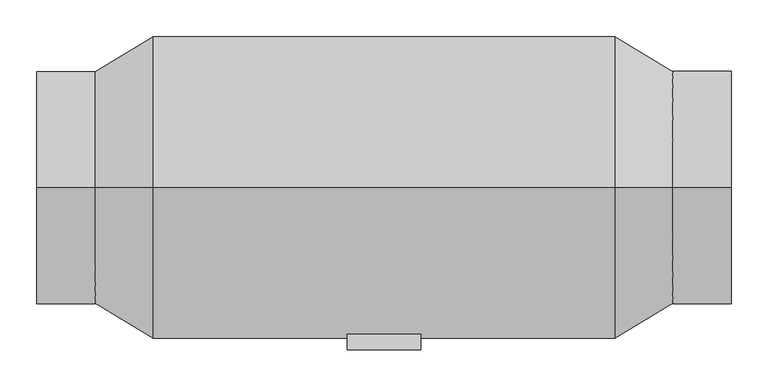
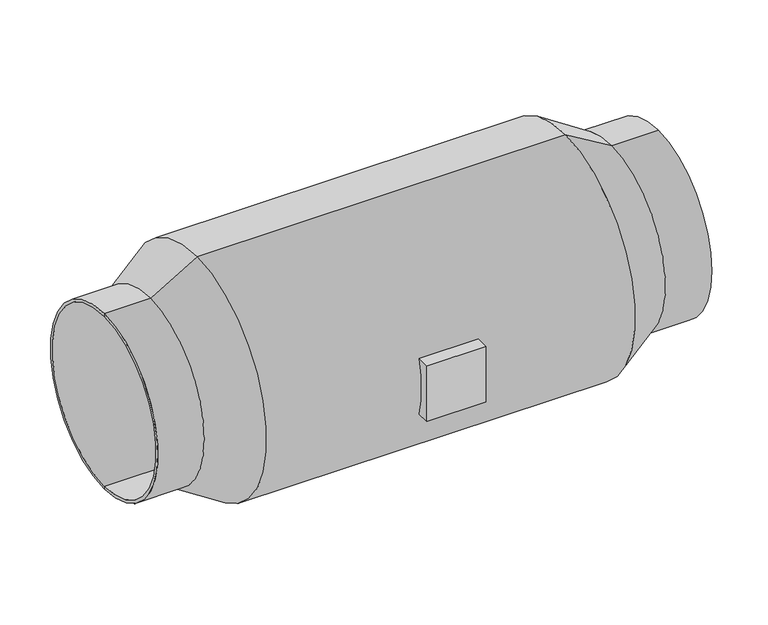
"""IFC4 building model written with IfcOpenShell, lengths in millimetres: proxy geometry."""

from ifc_helpers import new_model, si_unit, frame, origin, place, context, project, spatial, polyline, circle_curve, source, transform, mapped, element, save
from ifc_brep_helpers import plane_surface, cylinder_surface, revolved_surface, advanced_brep


def mechanical_equipment_116e85a2(model_context):
    return source(origin(), model_context, "Body", "AdvancedBrep", [
        advanced_brep(
        [(50.0, -220.0, 255.0), (-50.0, -220.0, 255.0), (-50.0, -220.0, 155.0), (50.0, -220.0, 155.0), (50.0, -198.8089535, 255.0), (-50.0, -198.8089535, 255.0), (-50.0, -198.8089535, 155.0), (50.0, -198.8089535, 155.0), (470.0, 0.0, 52.5), (470.0, 0.0, 357.5), (-470.0, 0.0, 357.5), (-470.0, 0.0, 52.5), (470.0, 0.0, 47.5), (470.0, 0.0, 362.5), (-312.5, 0.0, 0.0), (-312.5, 0.0, 410.0), (312.5, 0.0, 410.0), (312.5, 0.0, 0.0), (-470.0, 0.0, 362.5), (-470.0, 0.0, 47.5), (391.25, 0.0, 47.5), (391.25, 0.0, 362.5), (-391.25, 0.0, 47.5), (-391.25, 0.0, 362.5)],
        [
            (0, 1),
            (1, 2),
            (2, 3),
            (3, 0),
            (0, 4),
            (4, 5),
            (5, 1),
            (5, 6, circle_curve(frame((-50.0, 0.0, 205.0), z_axis=(1.0, 0.0, 0.0), x_axis=(0.0, 0.0, 1.0)), 205.0)),
            (6, 2),
            (6, 7),
            (7, 3),
            (7, 4, circle_curve(frame((50.0, 0.0, 205.0), z_axis=(-1.0, 0.0, 0.0), x_axis=(0.0, 0.0, 1.0)), 205.0)),
            (8, 9, circle_curve(frame((470.0, 0.0, 205.0), z_axis=(1.0, 0.0, 0.0), x_axis=(0.0, 0.0, 1.0)), 152.5)),
            (9, 10),
            (10, 11, circle_curve(frame((-470.0, 0.0, 205.0), z_axis=(-1.0, 0.0, 0.0), x_axis=(0.0, 0.0, 1.0)), 152.5)),
            (11, 8),
            (9, 8, circle_curve(frame((470.0, 0.0, 205.0), z_axis=(1.0, 0.0, 0.0), x_axis=(0.0, 0.0, 1.0)), 152.5)),
            (11, 10, circle_curve(frame((-470.0, 0.0, 205.0), z_axis=(-1.0, 0.0, 0.0), x_axis=(0.0, 0.0, 1.0)), 152.5)),
            (8, 12),
            (12, 13, circle_curve(frame((470.0, 0.0, 205.0), z_axis=(1.0, 0.0, 0.0), x_axis=(0.0, 0.0, 1.0)), 157.5)),
            (13, 9),
            (13, 12, circle_curve(frame((470.0, 0.0, 205.0), z_axis=(1.0, 0.0, 0.0), x_axis=(0.0, 0.0, 1.0)), 157.5)),
            (14, 15, circle_curve(frame((-312.5, 0.0, 205.0), z_axis=(1.0, 0.0, 0.0), x_axis=(0.0, 0.0, 1.0)), 205.0)),
            (15, 16),
            (16, 17, circle_curve(frame((312.5, 0.0, 205.0), z_axis=(-1.0, 0.0, 0.0), x_axis=(0.0, 0.0, 1.0)), 205.0)),
            (17, 14),
            (15, 14, circle_curve(frame((-312.5, 0.0, 205.0), z_axis=(1.0, 0.0, 0.0), x_axis=(0.0, 0.0, 1.0)), 205.0)),
            (17, 16, circle_curve(frame((312.5, 0.0, 205.0), z_axis=(-1.0, 0.0, 0.0), x_axis=(0.0, 0.0, 1.0)), 205.0)),
            (10, 18),
            (18, 19, circle_curve(frame((-470.0, 0.0, 205.0), z_axis=(-1.0, 0.0, 0.0), x_axis=(0.0, 0.0, 1.0)), 157.5)),
            (19, 11),
            (19, 18, circle_curve(frame((-470.0, 0.0, 205.0), z_axis=(-1.0, 0.0, 0.0), x_axis=(0.0, 0.0, 1.0)), 157.5)),
            (12, 20),
            (20, 21, circle_curve(frame((391.25, 0.0, 205.0), z_axis=(1.0, 0.0, 0.0), x_axis=(0.0, 0.0, 1.0)), 157.5)),
            (21, 13),
            (21, 20, circle_curve(frame((391.25, 0.0, 205.0), z_axis=(1.0, 0.0, 0.0), x_axis=(0.0, 0.0, 1.0)), 157.5)),
            (16, 21),
            (20, 17),
            (14, 22),
            (22, 23, circle_curve(frame((-391.25, 0.0, 205.0), z_axis=(1.0, 0.0, 0.0), x_axis=(0.0, 0.0, 1.0)), 157.5)),
            (23, 15),
            (23, 22, circle_curve(frame((-391.25, 0.0, 205.0), z_axis=(1.0, 0.0, 0.0), x_axis=(0.0, 0.0, 1.0)), 157.5)),
            (18, 23),
            (22, 19),
        ],
        [
            plane_surface(frame((-50.0, -220.0, 255.0), z_axis=(0.0, -1.0, 0.0), x_axis=(-1.0, 0.0, 0.0))),
            plane_surface(frame((50.0, -220.0, 255.0), z_axis=(0.0, 0.0, 1.0), x_axis=(0.0, 1.0, 0.0))),
            plane_surface(frame((-50.0, -220.0, 255.0), z_axis=(-1.0, 0.0, 0.0), x_axis=(0.0, 1.0, 0.0))),
            plane_surface(frame((-50.0, -220.0, 155.0), z_axis=(0.0, 0.0, -1.0), x_axis=(0.0, 1.0, 0.0))),
            plane_surface(frame((50.0, -220.0, 155.0), z_axis=(1.0, 0.0, 0.0), x_axis=(0.0, 1.0, 0.0))),
            revolved_surface(polyline([(-470.0, 0.0, 357.5), (470.0, 0.0, 357.5)]), (-1179.5786453, 0.0, 205.0), (-1.0, 0.0, 0.0)),
            plane_surface(frame((470.0, 0.0, 205.0), z_axis=(1.0, 0.0, 0.0), x_axis=(0.0, 0.0, 1.0))),
            cylinder_surface(frame((-1179.5786453, 0.0, 205.0), z_axis=(-1.0, 0.0, 0.0), x_axis=(0.0, 0.0, 1.0)), 205.0),
            plane_surface(frame((-470.0, 0.0, 205.0), z_axis=(-1.0, 0.0, 0.0), x_axis=(0.0, 0.0, 1.0))),
            cylinder_surface(frame((-1179.5786453, 0.0, 205.0), z_axis=(-1.0, 0.0, 0.0), x_axis=(0.0, 0.0, 1.0)), 157.5),
            revolved_surface(polyline([(391.25, 0.0, 362.5), (312.5, 0.0, 410.0)]), (-1179.5786453, 0.0, 205.0), (-1.0, 0.0, 0.0)),
            revolved_surface(polyline([(-312.5, 0.0, 410.0), (-391.25, 0.0, 362.5)]), (-1179.5786453, 0.0, 205.0), (-1.0, 0.0, 0.0)),
        ],
        [
            (0, [[1, 2, 3, 4]]),
            (1, [[-1, 5, 6, 7]]),
            (2, [[-2, -7, 8, 9]]),
            (3, [[-3, -9, 10, 11]]),
            (4, [[-4, -11, 12, -5]]),
            (5, [[13, 14, 15, 16]]),
            (5, [[-14, 17, -16, 18]]),
            (6, [[-13, 19, 20, 21]]),
            (6, [[-17, -21, 22, -19]]),
            (7, [[23, 24, 25, 26]]),
            (7, [[-24, 27, -26, 28], [-6, -12, -10, -8]]),
            (8, [[-15, 29, 30, 31]]),
            (8, [[-18, -31, 32, -29]]),
            (9, [[-20, 33, 34, 35]]),
            (9, [[-22, -35, 36, -33]]),
            (10, [[-25, 37, -34, 38]]),
            (10, [[-28, -38, -36, -37]]),
            (11, [[-23, 39, 40, 41]]),
            (11, [[-27, -41, 42, -39]]),
            (9, [[-30, 43, -40, 44]]),
            (9, [[-32, -44, -42, -43]]),
        ],
    ),
    ])


if __name__ == "__main__":
    model = new_model("IFC4")
    model_context = context("Model", 3, world=origin())
    ifc_project = project(units=[si_unit("LENGTHUNIT", "METRE", prefix="MILLI")], contexts=[model_context])
    site = spatial("IfcSite", under=ifc_project)
    building = spatial("IfcBuilding", under=site)
    placement = place(None, origin())
    mechanical_equipment_shape = mechanical_equipment_116e85a2(model_context)
    element("IfcBuildingElementProxy", 1, Name="Mechanical Equipment", at=placement, inside=building, context=model_context, shape_type="MappedRepresentation", body=[
        mapped(mechanical_equipment_shape, transform((0.0, 0.0, 0.0), x_axis=(1.0, 0.0, 0.0), y_axis=(0.0, 1.0, 0.0), z_axis=(0.0, 0.0, 1.0))),
    ])
    save(model, "model.ifc")
